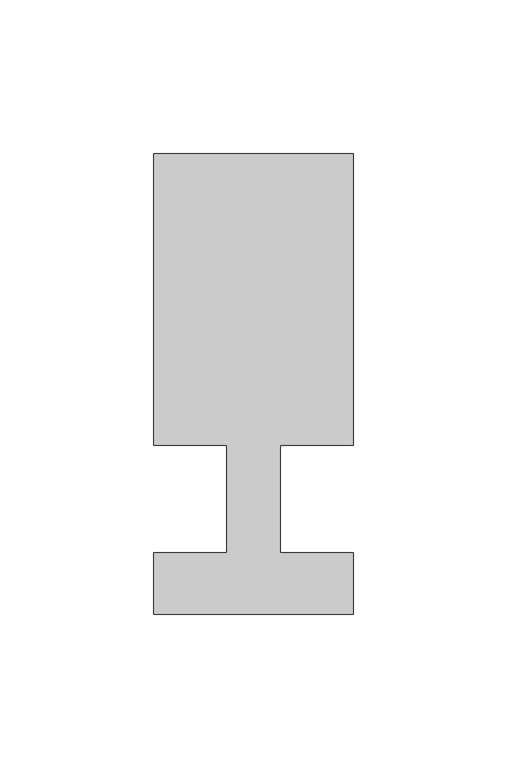
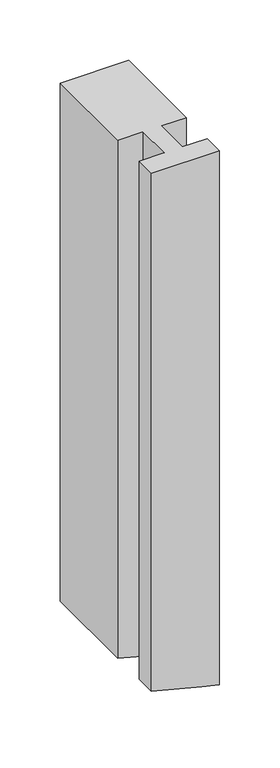
"""IFC4 building model written with IfcOpenShell, lengths in millimetres: member geometry."""

from ifc_helpers import new_model, si_unit, frame, origin, place, context, project, spatial, circle_curve, source, transform, mapped, element, save
from ifc_brep_helpers import plane_surface, cylinder_surface, advanced_brep


def member_6b8e945b(model_context):
    return source(origin(), model_context, "Body", "AdvancedBrep", [
        advanced_brep(
        [(-32.5, -37.0, 0.0), (32.5, -37.0, 0.0), (32.5, -17.0, 0.0), (8.6875, -17.0, 0.0), (8.6875, 18.0, 0.0), (32.5, 18.0, 0.0), (32.5, 113.0, 0.0), (-32.5, 113.0, 0.0), (-32.5, 18.0, 0.0), (-8.6875, 18.0, 0.0), (-8.6875, -17.0, 0.0), (-32.5, -17.0, 0.0), (-32.5, -37.0, -522.7513146), (15.5188798, -37.0, -535.1848775), (32.5, -37.0, -539.2820644), (32.5, -17.0, -539.2820644), (15.5188798, -17.0, -535.1848775), (8.6875, -17.0, -533.4926663), (8.6875, 18.0, -533.4926663), (15.5188798, 18.0, -535.1848775), (32.5, 18.0, -539.2820644), (32.5, 113.0, -539.2820644), (15.5188798, 113.0, -535.1848775), (-32.5, 113.0, -522.7513146), (-32.5, 18.0, -522.7513146), (-8.6875, 18.0, -529.0744725), (-8.6875, -17.0, -529.0744725), (-32.5, -17.0, -522.7513146)],
        [
            (0, 1),
            (1, 2),
            (2, 3),
            (3, 4),
            (4, 5),
            (5, 6),
            (6, 7),
            (7, 8),
            (8, 9),
            (9, 10),
            (10, 11),
            (11, 0),
            (0, 12),
            (12, 13, circle_curve(frame((497.5, -37.0, 1425.1861711), z_axis=(0.0, -1.0, 0.0), x_axis=(-0.23875199738175706, 0.0, -0.9710805753109376)), 2018.7522008)),
            (13, 14, circle_curve(frame((497.5, -37.0, 1425.1861711), z_axis=(0.0, -1.0, 0.0), x_axis=(0.24595055006669864, 0.0, -0.9692823772884187)), 2018.7522008)),
            (14, 1),
            (14, 15),
            (15, 2),
            (15, 16, circle_curve(frame((497.5, -17.0, 1425.1861711), z_axis=(0.0, 1.0, 0.0), x_axis=(0.24595055006669864, 0.0, -0.9692823772884187)), 2018.7522008)),
            (16, 17, circle_curve(frame((497.5, -17.0, 1425.1861711), z_axis=(0.0, 1.0, 0.0), x_axis=(-0.23875199738175706, 0.0, -0.9710805753109376)), 2018.7522008)),
            (17, 3),
            (17, 18),
            (18, 4),
            (18, 19, circle_curve(frame((497.5, 18.0, 1425.1861711), z_axis=(0.0, -1.0, 0.0), x_axis=(-0.23875199738175706, 0.0, -0.9710805753109376)), 2018.7522008)),
            (19, 20, circle_curve(frame((497.5, 18.0, 1425.1861711), z_axis=(0.0, -1.0, 0.0), x_axis=(0.24595055006669864, 0.0, -0.9692823772884187)), 2018.7522008)),
            (20, 5),
            (20, 21),
            (21, 6),
            (21, 22, circle_curve(frame((497.5, 113.0, 1425.1861711), z_axis=(0.0, 1.0, 0.0), x_axis=(0.24595055006669864, 0.0, -0.9692823772884187)), 2018.7522008)),
            (22, 23, circle_curve(frame((497.5, 113.0, 1425.1861711), z_axis=(0.0, 1.0, 0.0), x_axis=(-0.23875199738175706, 0.0, -0.9710805753109376)), 2018.7522008)),
            (23, 7),
            (23, 24),
            (24, 8),
            (24, 25, circle_curve(frame((497.5, 18.0, 1425.1861711), z_axis=(0.0, -1.0, 0.0), x_axis=(-0.23875199738175706, 0.0, -0.9710805753109376)), 2018.7522008)),
            (25, 9),
            (25, 26),
            (26, 10),
            (26, 27, circle_curve(frame((497.5, -17.0, 1425.1861711), z_axis=(0.0, 1.0, 0.0), x_axis=(-0.23875199738175706, 0.0, -0.9710805753109376)), 2018.7522008)),
            (27, 11),
            (27, 12),
            (22, 19),
            (16, 13),
        ],
        [
            plane_surface(frame((0.0, -117.5808233, 0.0), z_axis=(0.0, 0.0, 1.0), x_axis=(-1.0, 0.0, 0.0))),
            plane_surface(frame((-32.5, -37.0, 0.0), z_axis=(0.0, -1.0, 0.0), x_axis=(0.0, 0.0, -1.0))),
            plane_surface(frame((32.5, -37.0, 0.0), z_axis=(1.0, 0.0, 0.0), x_axis=(0.0, 0.0, -1.0))),
            plane_surface(frame((32.5, -17.0, 0.0), z_axis=(0.0, 1.0, 0.0), x_axis=(0.0, 0.0, -1.0))),
            plane_surface(frame((8.6875, -17.0, 0.0), z_axis=(1.0, 0.0, 0.0), x_axis=(0.0, 0.0, -1.0))),
            plane_surface(frame((8.6875, 18.0, 0.0), z_axis=(0.0, -1.0, 0.0), x_axis=(0.0, 0.0, -1.0))),
            plane_surface(frame((32.5, 18.0, 0.0), z_axis=(1.0, 0.0, 0.0), x_axis=(0.0, 0.0, -1.0))),
            plane_surface(frame((32.5, 113.0, 0.0), z_axis=(0.0, 1.0, 0.0), x_axis=(0.0, 0.0, -1.0))),
            plane_surface(frame((-32.5, 113.0, 0.0), z_axis=(-1.0, 0.0, 0.0), x_axis=(0.0, 0.0, -1.0))),
            plane_surface(frame((-32.5, 18.0, 0.0), z_axis=(0.0, -1.0, 0.0), x_axis=(0.0, 0.0, -1.0))),
            plane_surface(frame((-8.6875, 18.0, 0.0), z_axis=(-1.0, 0.0, 0.0), x_axis=(0.0, 0.0, -1.0))),
            plane_surface(frame((-8.6875, -17.0, 0.0), z_axis=(0.0, 1.0, 0.0), x_axis=(0.0, 0.0, -1.0))),
            plane_surface(frame((-32.5, -17.0, 0.0), z_axis=(-1.0, 0.0, 0.0), x_axis=(0.0, 0.0, -1.0))),
            cylinder_surface(frame((497.5, 0.0, 1425.1861711), z_axis=(0.0, 1.0000000000000002, 0.0), x_axis=(-0.23875199738175706, 0.0, -0.9710805753109376)), 2018.7522008),
            cylinder_surface(frame((497.5, 0.0, 1425.1861711), z_axis=(0.0, 1.0, 0.0), x_axis=(0.24595055006669864, 0.0, -0.9692823772884187)), 2018.7522008),
        ],
        [
            (0, [[1, 2, 3, 4, 5, 6, 7, 8, 9, 10, 11, 12]]),
            (1, [[-1, 13, 14, 15, 16]]),
            (2, [[-2, -16, 17, 18]]),
            (3, [[-3, -18, 19, 20, 21]]),
            (4, [[-4, -21, 22, 23]]),
            (5, [[-5, -23, 24, 25, 26]]),
            (6, [[-6, -26, 27, 28]]),
            (7, [[-7, -28, 29, 30, 31]]),
            (8, [[-8, -31, 32, 33]]),
            (9, [[-9, -33, 34, 35]]),
            (10, [[-10, -35, 36, 37]]),
            (11, [[-11, -37, 38, 39]]),
            (12, [[-12, -39, 40, -13]]),
            (13, [[-40, -38, -36, -34, -32, -30, 41, -24, -22, -20, 42, -14]]),
            (14, [[-19, -17, -15, -42]]),
            (14, [[-29, -27, -25, -41]]),
        ],
    ),
    ])


if __name__ == "__main__":
    model = new_model("IFC4")
    model_context = context("Model", 3, world=origin())
    ifc_project = project(units=[si_unit("LENGTHUNIT", "METRE", prefix="MILLI")], contexts=[model_context])
    site = spatial("IfcSite", under=ifc_project)
    building = spatial("IfcBuilding", under=site)
    placement = place(None, origin())
    member_shape = member_6b8e945b(model_context)
    element("IfcMember", 1, at=placement, inside=building, context=model_context, shape_type="MappedRepresentation", body=[
        mapped(member_shape, transform((0.0, 0.0, 0.0), x_axis=(1.0, 0.0, 0.0), y_axis=(0.0, 1.0, 0.0), z_axis=(0.0, 0.0, 1.0))),
    ])
    save(model, "model.ifc")
